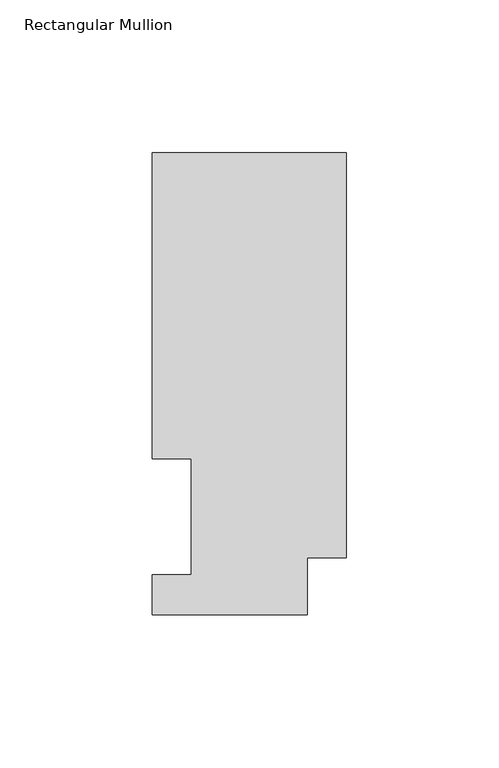
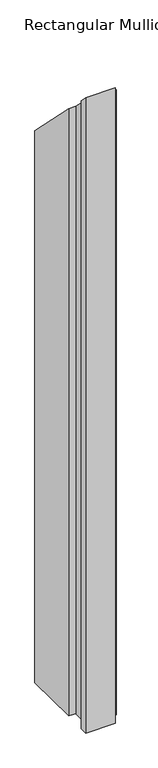
"""IFC4 building model written with IfcOpenShell, lengths in millimetres: member geometry, Rectangular Mullion."""

from ifc_helpers import new_model, si_unit, origin, place, context, project, spatial, faceted_brep, source, transform, mapped, element, save


def rectangular_mullion_2987b5b5(model_context):
    return source(origin(), model_context, "Body", "Brep", [
        faceted_brep([(-63.5, 151.7022937, -1155.7134938), (0.0, 151.7022937, -1155.7134938), (0.0, 18.7332937, -1155.7134938), (-12.7, 18.7332937, -1155.7134938), (-12.7, 0.0134937, -1155.7134938), (-63.5, 0.0134937, -1155.7134938), (-63.5, 13.1960938, -1155.7134938), (-50.8, 13.1960938, -1155.7134938), (-50.8, 51.2960938, -1155.7134938), (-63.5, 51.2960937, -1155.7134938), (-63.5, 51.2960937, -51.2960937), (-63.5, 151.7022937, -151.7022937), (-50.8, 51.2960937, -51.2960937), (-50.8, 13.1960938, -13.1960938), (-63.5, 13.1960938, -13.1960938), (-63.5, 0.0134937, -0.0134937), (-12.7, 0.0134937, -0.0134937), (-12.7, 18.7332937, -18.7332937), (0.0, 18.7332937, -18.7332937), (0.0, 151.7022937, -151.7022937)], [[[0, 1, 2, 3, 4, 5, 6, 7, 8, 9]], [[10, 11, 0, 9]], [[12, 10, 9, 8]], [[13, 12, 8, 7]], [[14, 13, 7, 6]], [[15, 14, 6, 5]], [[16, 15, 5, 4]], [[17, 16, 4, 3]], [[18, 17, 3, 2]], [[19, 18, 2, 1]], [[11, 19, 1, 0]], [[11, 10, 12, 13, 14, 15, 16, 17, 18, 19]]]),
    ])


if __name__ == "__main__":
    model = new_model("IFC4")
    model_context = context("Model", 3, world=origin())
    ifc_project = project(units=[si_unit("LENGTHUNIT", "METRE", prefix="MILLI")], contexts=[model_context])
    site = spatial("IfcSite", under=ifc_project)
    building = spatial("IfcBuilding", under=site)
    placement = place(None, origin())
    rectangular_mullion_shape = rectangular_mullion_2987b5b5(model_context)
    element("IfcMember", 1, ObjectType="Rectangular Mullion", at=placement, inside=building, context=model_context, shape_type="MappedRepresentation", body=[
        mapped(rectangular_mullion_shape, transform((0.0, 0.0, 0.0), x_axis=(1.0, 0.0, 0.0), y_axis=(0.0, 1.0, 0.0), z_axis=(0.0, 0.0, 1.0))),
    ])
    save(model, "model.ifc")
